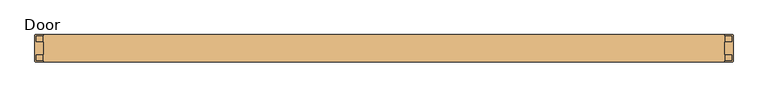
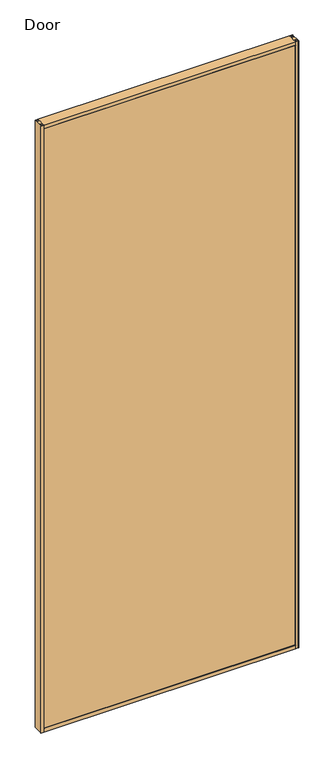
"""IFC4 building model written with IfcOpenShell, lengths in millimetres: door geometry, Door."""

import ifcopenshell
import ifcopenshell.guid

model = None  # the IFC model being written
_history = None  # IfcOwnerHistory: only IFC2X3 demands one
_inside = {}  # id of a spatial element -> (the spatial element, [elements in it])
_under = {}  # id of a project, library or spatial element -> (it, [spatial elements below it])
_declared = {}  # id of a project -> (the project, [libraries it declares])
_typed = {}  # id of a type object -> (the type object, [elements of that type])
_made_of = {}  # id of a material, layer set ... -> (it, [elements and type objects made of it])


def new_model(schema):
    """Start an empty IFC model of exactly this schema.

    Asked for "IFC4X3", IfcOpenShell would pick the latest addendum, in which some entities
    have other attributes; the version numbers below select the first issue.
    IFC2X3 requires an IfcOwnerHistory on every rooted entity: one is made here for all.
    """
    global model, _history
    if schema == "IFC4X3":
        model = ifcopenshell.file(schema_version=(4, 3, 0, 0))
    else:
        model = ifcopenshell.file(schema=schema)
    _inside.clear()
    _under.clear()
    _declared.clear()
    _typed.clear()
    _made_of.clear()
    _history = None
    if model.schema == "IFC2X3":
        org = make("IfcOrganization", Name="unknown")
        user = make(
            "IfcPersonAndOrganization",
            ThePerson=make("IfcPerson", FamilyName="unknown"),
            TheOrganization=org,
        )
        app = make(
            "IfcApplication",
            ApplicationDeveloper=org,
            Version="unknown",
            ApplicationFullName="unknown",
            ApplicationIdentifier="unknown",
        )
        _history = make(
            "IfcOwnerHistory",
            OwningUser=user,
            OwningApplication=app,
            ChangeAction="ADDED",
            CreationDate=0,
        )
    return model


def make(cls, **values):
    """One entity of the class cls with the attributes given. An attribute that is None is left unset."""
    return model.create_entity(
        cls, **{name: value for name, value in values.items() if value is not None}
    )


def rooted(cls, **values):
    """An entity with a GlobalId (a new one), such as an element, a storey or a relation."""
    return make(cls, GlobalId=ifcopenshell.guid.new(), OwnerHistory=_history, **values)


def si_unit(unit_type, name, prefix=None):
    """IfcSIUnit, for example si_unit("LENGTHUNIT", "METRE", prefix="MILLI")."""
    return make("IfcSIUnit", UnitType=unit_type, Prefix=prefix, Name=name)


def assignment(units):
    """IfcUnitAssignment: the units of a project."""
    return None if units is None else make("IfcUnitAssignment", Units=units)


def point(xyz):
    """IfcCartesianPoint."""
    return None if xyz is None else make("IfcCartesianPoint", Coordinates=xyz)


def direction(xyz):
    """IfcDirection."""
    return None if xyz is None else make("IfcDirection", DirectionRatios=xyz)


def frame(location, z_axis=None, x_axis=None):
    """IfcAxis2Placement3D, a coordinate frame: its origin and axes. An axis left out is left unset."""
    return make(
        "IfcAxis2Placement3D",
        Location=point(location),
        Axis=direction(z_axis),
        RefDirection=direction(x_axis),
    )


def origin():
    """The frame at (0, 0, 0) with its axes left unset."""
    return frame((0.0, 0.0, 0.0))


def origin_with_axes():
    """The frame at (0, 0, 0) with the z axis (0, 0, 1) and the x axis (1, 0, 0) written out."""
    return frame((0.0, 0.0, 0.0), z_axis=(0.0, 0.0, 1.0), x_axis=(1.0, 0.0, 0.0))


def place(relative_to, where):
    """IfcLocalPlacement: puts the frame where relative to a parent placement (None: the world)."""
    return make(
        "IfcLocalPlacement", PlacementRelTo=relative_to, RelativePlacement=where
    )


def context(
    kind, dimensions, precision=None, world=None, true_north=None, identifier=None
):
    """IfcGeometricRepresentationContext, for example the 3D "Model" context."""
    return make(
        "IfcGeometricRepresentationContext",
        ContextIdentifier=identifier,
        ContextType=kind,
        CoordinateSpaceDimension=dimensions,
        Precision=precision,
        WorldCoordinateSystem=world,
        TrueNorth=true_north,
    )


def project(units=None, contexts=None):
    """IfcProject with its units and contexts."""
    return rooted(
        "IfcProject",
        Name="project",
        RepresentationContexts=contexts,
        UnitsInContext=assignment(units),
    )


def spatial(cls, under=None, at=None, **own):
    """A site, building, storey or space (cls), placed at a placement, below another one or the project."""
    s = rooted(cls, ObjectPlacement=at, **own)
    if under is not None:
        _under.setdefault(under.id(), (under, []))[1].append(s)
    return s


def polyline(points):
    """IfcPolyline through the points."""
    return make("IfcPolyline", Points=[point(p) for p in points])


def outline(outer, holes=None, kind="AREA"):
    """IfcArbitraryClosedProfileDef: a profile drawn as a closed curve; with holes, ...WithVoids."""
    if holes is None:
        return make("IfcArbitraryClosedProfileDef", ProfileType=kind, OuterCurve=outer)
    return make(
        "IfcArbitraryProfileDefWithVoids",
        ProfileType=kind,
        OuterCurve=outer,
        InnerCurves=holes,
    )


def extrude(swept, where, along, depth):
    """IfcExtrudedAreaSolid: the profile swept, set in the frame where, extruded along a direction by depth."""
    return make(
        "IfcExtrudedAreaSolid",
        SweptArea=swept,
        Position=where,
        ExtrudedDirection=direction(along),
        Depth=depth,
    )


def shape(context_of_items, identifier, shape_type, items):
    """IfcShapeRepresentation: the items that make up one representation, for example the "Body"."""
    return make(
        "IfcShapeRepresentation",
        ContextOfItems=context_of_items,
        RepresentationIdentifier=identifier,
        RepresentationType=shape_type,
        Items=items,
    )


def source(mapping_origin, context_of_items, identifier, shape_type, items):
    """IfcRepresentationMap: a shape defined once, which mapped items show again and again."""
    return make(
        "IfcRepresentationMap",
        MappingOrigin=mapping_origin,
        MappedRepresentation=shape(context_of_items, identifier, shape_type, items),
    )


def transform(
    local_origin,
    x_axis=None,
    y_axis=None,
    z_axis=None,
    scale=None,
    scale2=None,
    scale3=None,
    uniform=True,
):
    """IfcCartesianTransformationOperator3D, or its non-uniform kind. x_axis, y_axis, z_axis: its Axis1, 2, 3."""
    if uniform:
        return make(
            "IfcCartesianTransformationOperator3D",
            Axis1=direction(x_axis),
            Axis2=direction(y_axis),
            LocalOrigin=point(local_origin),
            Scale=scale,
            Axis3=direction(z_axis),
        )
    return make(
        "IfcCartesianTransformationOperator3DnonUniform",
        Axis1=direction(x_axis),
        Axis2=direction(y_axis),
        LocalOrigin=point(local_origin),
        Scale=scale,
        Axis3=direction(z_axis),
        Scale2=scale2,
        Scale3=scale3,
    )


def mapped(mapping_source, mapping_target):
    """IfcMappedItem: shows the shape of a source again, moved by a transform."""
    return make(
        "IfcMappedItem", MappingSource=mapping_source, MappingTarget=mapping_target
    )


def made_of(thing, what):
    """Note that an element or type object is made of a material, layer set ...; save() writes the relation."""
    if what is not None:
        _made_of.setdefault(what.id(), (what, []))[1].append(thing)
    return thing


def element(
    cls,
    number,
    at=None,
    inside=None,
    cuts=None,
    type_object=None,
    material=None,
    context=None,
    identifier="Body",
    shape_type=None,
    held_by="IfcProductDefinitionShape",
    body=None,
    shapes=None,
    **own,
):
    """One element of the class cls, such as IfcWall. Its Tag is "e" and its number.

    at: its placement. inside: the storey or other place that contains it. cuts: it is an
    opening in that element (IfcRelVoidsElement). A single representation is given by context,
    identifier, shape_type and body (its items); several are given by shapes. held_by: the class
    of the entity that holds the representations. save() writes the other relations.
    """
    e = rooted(cls, Tag="e%d" % number, ObjectPlacement=at, **own)
    if body is not None:
        shapes = [shape(context, identifier, shape_type, body)]
    if shapes is not None:
        e.Representation = make(held_by, Representations=shapes)
    if inside is not None:
        _inside.setdefault(inside.id(), (inside, []))[1].append(e)
    if cuts is not None:
        rooted(
            "IfcRelVoidsElement", RelatingBuildingElement=cuts, RelatedOpeningElement=e
        )
    if type_object is not None:
        _typed.setdefault(type_object.id(), (type_object, []))[1].append(e)
    return made_of(e, material)


def aggregate(whole, parts):
    """IfcRelAggregates: a whole, such as a stair, and the parts it consists of."""
    return rooted("IfcRelAggregates", RelatingObject=whole, RelatedObjects=parts)


def save(model, path):
    """Write the relations noted so far, then the file.

    IfcRelAggregates (storeys below a building ...), IfcRelContainedInSpatialStructure (elements
    in a storey), IfcRelDefinesByType, IfcRelAssociatesMaterial and IfcRelDeclares: one each for
    every whole, place, type object, material and project.
    """
    for whole, parts in _under.values():
        aggregate(whole, parts)
    for where, things in _inside.values():
        rooted(
            "IfcRelContainedInSpatialStructure",
            RelatedElements=things,
            RelatingStructure=where,
        )
    for kind, things in _typed.values():
        rooted("IfcRelDefinesByType", RelatedObjects=things, RelatingType=kind)
    for what, things in _made_of.values():
        rooted("IfcRelAssociatesMaterial", RelatedObjects=things, RelatingMaterial=what)
    for by, libraries in _declared.values():
        rooted("IfcRelDeclares", RelatingContext=by, RelatedDefinitions=libraries)
    model.write(path)


def door_3a0189b0(model_context):
    return source(origin(), model_context, "Body", "SweptSolid", [
        extrude(outline(polyline([(-487.5478469, 19.0744957), (-487.5478469, 18.2820157), (-498.6603469, 18.2820157), (-498.6603469, 8.7570157), (-487.5478469, 8.7570157), (-487.5478469, -10.2929843), (-498.6603469, -10.2929843), (-498.6603469, -19.8179843), (-487.5478469, -19.8179843), (-487.5478469, -20.6104643), (-488.3428669, -21.4054843), (-499.4528269, -21.4054843), (-500.2478469, -20.6104643), (-500.2478469, 19.0744957), (-499.4528269, 19.8695157), (-488.3428669, 19.8695157), (-487.5478469, 19.0744957)])), origin_with_axes(), (0.0, 0.0, 1.0), 2638.425),
        extrude(outline(polyline([(547.5021531, 19.0744957), (548.2971731, 19.8695157), (559.4071331, 19.8695157), (560.2021531, 19.0744957), (560.2021531, -20.6104643), (559.4071331, -21.4054843), (548.2971731, -21.4054843), (547.5021531, -20.6104643), (547.5021531, -19.8179843), (558.6146531, -19.8179843), (558.6146531, -10.2929843), (547.5021531, -10.2929843), (547.5021531, 8.7570157), (558.6146531, 8.7570157), (558.6146531, 18.2820157), (547.5021531, 18.2820157), (547.5021531, 19.0744957)])), origin_with_axes(), (0.0, 0.0, 1.0), 2638.425),
        extrude(outline(polyline([(558.6146531, 18.2820157), (558.6146531, 8.7570157), (-498.6603469, 8.7570157), (-498.6603469, 18.2820157), (558.6146531, 18.2820157)])), frame((0.0, 0.0, 1.5875), z_axis=(0.0, 0.0, 1.0), x_axis=(1.0, 0.0, 0.0)), (0.0, 0.0, 1.0), 2635.25),
        extrude(outline(polyline([(558.6146531, -10.2929843), (558.6146531, -19.8179843), (-498.6603469, -19.8179843), (-498.6603469, -10.2929843), (558.6146531, -10.2929843)])), frame((0.0, 0.0, 1.5875), z_axis=(0.0, 0.0, 1.0), x_axis=(1.0, 0.0, 0.0)), (0.0, 0.0, 1.0), 2635.25),
        extrude(outline(polyline([(-21.4054843, 2638.425), (19.8695157, 2638.425), (19.8695157, 2622.51952), (19.0744957, 2621.7245), (18.2820157, 2621.7245), (18.2820157, 2636.8375), (8.7570157, 2636.8375), (8.7570157, 2621.7245), (-10.2929843, 2621.7245), (-10.2929843, 2636.8375), (-19.8179843, 2636.8375), (-19.8179843, 2621.7245), (-20.6104643, 2621.7245), (-21.4054843, 2622.51952), (-21.4054843, 2638.425)])), frame((-487.5478469, 0.0, 0.0), z_axis=(1.0, 0.0, 0.0), x_axis=(0.0, 1.0, 0.0)), (0.0, 0.0, 1.0), 1035.05),
        extrude(outline(polyline([(-21.4054843, 0.0), (-21.4054843, 15.90548), (-20.6104643, 16.7005), (-19.8179843, 16.7005), (-19.8179843, 1.5875), (-10.2929843, 1.5875), (-10.2929843, 16.7005), (8.7570157, 16.7005), (8.7570157, 1.5875), (18.2820157, 1.5875), (18.2820157, 16.7005), (19.0744957, 16.7005), (19.8695157, 15.90548), (19.8695157, 0.0), (-21.4054843, 0.0)])), frame((-487.5478469, 0.0, 0.0), z_axis=(1.0, 0.0, 0.0), x_axis=(0.0, 1.0, 0.0)), (0.0, 0.0, 1.0), 1035.05),
    ])


if __name__ == "__main__":
    model = new_model("IFC4")
    model_context = context("Model", 3, world=origin())
    ifc_project = project(units=[si_unit("LENGTHUNIT", "METRE", prefix="MILLI")], contexts=[model_context])
    site = spatial("IfcSite", under=ifc_project)
    building = spatial("IfcBuilding", under=site)
    placement = place(None, origin())
    door_shape = door_3a0189b0(model_context)
    element("IfcDoor", 1, ObjectType="Door", at=placement, inside=building, context=model_context, shape_type="MappedRepresentation", body=[
        mapped(door_shape, transform((0.0, 0.0, 0.0), x_axis=(1.0, 0.0, 0.0), y_axis=(0.0, 1.0, 0.0), z_axis=(0.0, 0.0, 1.0))),
    ])
    save(model, "model.ifc")
